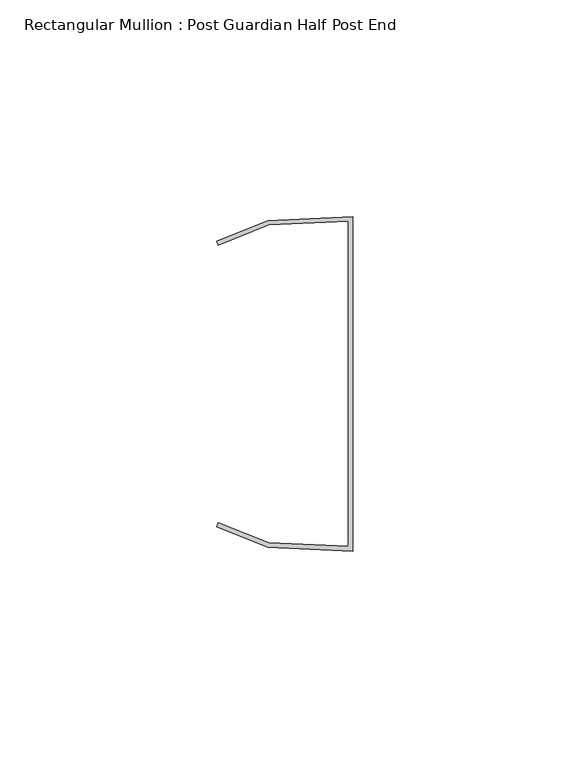
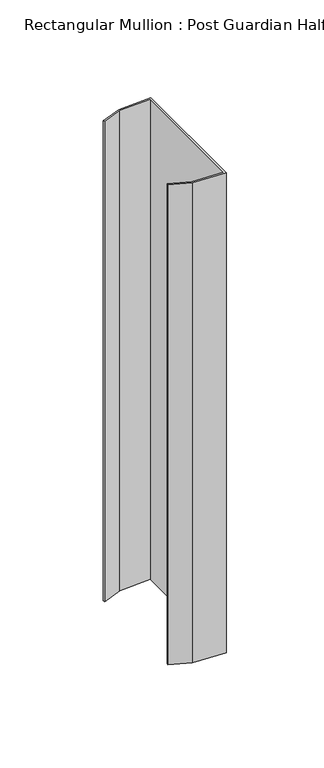
"""IFC4 building model written with IfcOpenShell, lengths in millimetres: member geometry, Rectangular Mullion : Post Guardian Half Post End."""

import ifcopenshell
import ifcopenshell.guid

model = None  # the IFC model being written
_history = None  # IfcOwnerHistory: only IFC2X3 demands one
_inside = {}  # id of a spatial element -> (the spatial element, [elements in it])
_under = {}  # id of a project, library or spatial element -> (it, [spatial elements below it])
_declared = {}  # id of a project -> (the project, [libraries it declares])
_typed = {}  # id of a type object -> (the type object, [elements of that type])
_made_of = {}  # id of a material, layer set ... -> (it, [elements and type objects made of it])


def new_model(schema):
    """Start an empty IFC model of exactly this schema.

    Asked for "IFC4X3", IfcOpenShell would pick the latest addendum, in which some entities
    have other attributes; the version numbers below select the first issue.
    IFC2X3 requires an IfcOwnerHistory on every rooted entity: one is made here for all.
    """
    global model, _history
    if schema == "IFC4X3":
        model = ifcopenshell.file(schema_version=(4, 3, 0, 0))
    else:
        model = ifcopenshell.file(schema=schema)
    _inside.clear()
    _under.clear()
    _declared.clear()
    _typed.clear()
    _made_of.clear()
    _history = None
    if model.schema == "IFC2X3":
        org = make("IfcOrganization", Name="unknown")
        user = make(
            "IfcPersonAndOrganization",
            ThePerson=make("IfcPerson", FamilyName="unknown"),
            TheOrganization=org,
        )
        app = make(
            "IfcApplication",
            ApplicationDeveloper=org,
            Version="unknown",
            ApplicationFullName="unknown",
            ApplicationIdentifier="unknown",
        )
        _history = make(
            "IfcOwnerHistory",
            OwningUser=user,
            OwningApplication=app,
            ChangeAction="ADDED",
            CreationDate=0,
        )
    return model


def make(cls, **values):
    """One entity of the class cls with the attributes given. An attribute that is None is left unset."""
    return model.create_entity(
        cls, **{name: value for name, value in values.items() if value is not None}
    )


def rooted(cls, **values):
    """An entity with a GlobalId (a new one), such as an element, a storey or a relation."""
    return make(cls, GlobalId=ifcopenshell.guid.new(), OwnerHistory=_history, **values)


def si_unit(unit_type, name, prefix=None):
    """IfcSIUnit, for example si_unit("LENGTHUNIT", "METRE", prefix="MILLI")."""
    return make("IfcSIUnit", UnitType=unit_type, Prefix=prefix, Name=name)


def assignment(units):
    """IfcUnitAssignment: the units of a project."""
    return None if units is None else make("IfcUnitAssignment", Units=units)


def point(xyz):
    """IfcCartesianPoint."""
    return None if xyz is None else make("IfcCartesianPoint", Coordinates=xyz)


def direction(xyz):
    """IfcDirection."""
    return None if xyz is None else make("IfcDirection", DirectionRatios=xyz)


def frame(location, z_axis=None, x_axis=None):
    """IfcAxis2Placement3D, a coordinate frame: its origin and axes. An axis left out is left unset."""
    return make(
        "IfcAxis2Placement3D",
        Location=point(location),
        Axis=direction(z_axis),
        RefDirection=direction(x_axis),
    )


def origin():
    """The frame at (0, 0, 0) with its axes left unset."""
    return frame((0.0, 0.0, 0.0))


def place(relative_to, where):
    """IfcLocalPlacement: puts the frame where relative to a parent placement (None: the world)."""
    return make(
        "IfcLocalPlacement", PlacementRelTo=relative_to, RelativePlacement=where
    )


def context(
    kind, dimensions, precision=None, world=None, true_north=None, identifier=None
):
    """IfcGeometricRepresentationContext, for example the 3D "Model" context."""
    return make(
        "IfcGeometricRepresentationContext",
        ContextIdentifier=identifier,
        ContextType=kind,
        CoordinateSpaceDimension=dimensions,
        Precision=precision,
        WorldCoordinateSystem=world,
        TrueNorth=true_north,
    )


def project(units=None, contexts=None):
    """IfcProject with its units and contexts."""
    return rooted(
        "IfcProject",
        Name="project",
        RepresentationContexts=contexts,
        UnitsInContext=assignment(units),
    )


def spatial(cls, under=None, at=None, **own):
    """A site, building, storey or space (cls), placed at a placement, below another one or the project."""
    s = rooted(cls, ObjectPlacement=at, **own)
    if under is not None:
        _under.setdefault(under.id(), (under, []))[1].append(s)
    return s


def polyline(points):
    """IfcPolyline through the points."""
    return make("IfcPolyline", Points=[point(p) for p in points])


def outline(outer, holes=None, kind="AREA"):
    """IfcArbitraryClosedProfileDef: a profile drawn as a closed curve; with holes, ...WithVoids."""
    if holes is None:
        return make("IfcArbitraryClosedProfileDef", ProfileType=kind, OuterCurve=outer)
    return make(
        "IfcArbitraryProfileDefWithVoids",
        ProfileType=kind,
        OuterCurve=outer,
        InnerCurves=holes,
    )


def extrude(swept, where, along, depth):
    """IfcExtrudedAreaSolid: the profile swept, set in the frame where, extruded along a direction by depth."""
    return make(
        "IfcExtrudedAreaSolid",
        SweptArea=swept,
        Position=where,
        ExtrudedDirection=direction(along),
        Depth=depth,
    )


def shape(context_of_items, identifier, shape_type, items):
    """IfcShapeRepresentation: the items that make up one representation, for example the "Body"."""
    return make(
        "IfcShapeRepresentation",
        ContextOfItems=context_of_items,
        RepresentationIdentifier=identifier,
        RepresentationType=shape_type,
        Items=items,
    )


def source(mapping_origin, context_of_items, identifier, shape_type, items):
    """IfcRepresentationMap: a shape defined once, which mapped items show again and again."""
    return make(
        "IfcRepresentationMap",
        MappingOrigin=mapping_origin,
        MappedRepresentation=shape(context_of_items, identifier, shape_type, items),
    )


def transform(
    local_origin,
    x_axis=None,
    y_axis=None,
    z_axis=None,
    scale=None,
    scale2=None,
    scale3=None,
    uniform=True,
):
    """IfcCartesianTransformationOperator3D, or its non-uniform kind. x_axis, y_axis, z_axis: its Axis1, 2, 3."""
    if uniform:
        return make(
            "IfcCartesianTransformationOperator3D",
            Axis1=direction(x_axis),
            Axis2=direction(y_axis),
            LocalOrigin=point(local_origin),
            Scale=scale,
            Axis3=direction(z_axis),
        )
    return make(
        "IfcCartesianTransformationOperator3DnonUniform",
        Axis1=direction(x_axis),
        Axis2=direction(y_axis),
        LocalOrigin=point(local_origin),
        Scale=scale,
        Axis3=direction(z_axis),
        Scale2=scale2,
        Scale3=scale3,
    )


def mapped(mapping_source, mapping_target):
    """IfcMappedItem: shows the shape of a source again, moved by a transform."""
    return make(
        "IfcMappedItem", MappingSource=mapping_source, MappingTarget=mapping_target
    )


def made_of(thing, what):
    """Note that an element or type object is made of a material, layer set ...; save() writes the relation."""
    if what is not None:
        _made_of.setdefault(what.id(), (what, []))[1].append(thing)
    return thing


def element(
    cls,
    number,
    at=None,
    inside=None,
    cuts=None,
    type_object=None,
    material=None,
    context=None,
    identifier="Body",
    shape_type=None,
    held_by="IfcProductDefinitionShape",
    body=None,
    shapes=None,
    **own,
):
    """One element of the class cls, such as IfcWall. Its Tag is "e" and its number.

    at: its placement. inside: the storey or other place that contains it. cuts: it is an
    opening in that element (IfcRelVoidsElement). A single representation is given by context,
    identifier, shape_type and body (its items); several are given by shapes. held_by: the class
    of the entity that holds the representations. save() writes the other relations.
    """
    e = rooted(cls, Tag="e%d" % number, ObjectPlacement=at, **own)
    if body is not None:
        shapes = [shape(context, identifier, shape_type, body)]
    if shapes is not None:
        e.Representation = make(held_by, Representations=shapes)
    if inside is not None:
        _inside.setdefault(inside.id(), (inside, []))[1].append(e)
    if cuts is not None:
        rooted(
            "IfcRelVoidsElement", RelatingBuildingElement=cuts, RelatedOpeningElement=e
        )
    if type_object is not None:
        _typed.setdefault(type_object.id(), (type_object, []))[1].append(e)
    return made_of(e, material)


def aggregate(whole, parts):
    """IfcRelAggregates: a whole, such as a stair, and the parts it consists of."""
    return rooted("IfcRelAggregates", RelatingObject=whole, RelatedObjects=parts)


def save(model, path):
    """Write the relations noted so far, then the file.

    IfcRelAggregates (storeys below a building ...), IfcRelContainedInSpatialStructure (elements
    in a storey), IfcRelDefinesByType, IfcRelAssociatesMaterial and IfcRelDeclares: one each for
    every whole, place, type object, material and project.
    """
    for whole, parts in _under.values():
        aggregate(whole, parts)
    for where, things in _inside.values():
        rooted(
            "IfcRelContainedInSpatialStructure",
            RelatedElements=things,
            RelatingStructure=where,
        )
    for kind, things in _typed.values():
        rooted("IfcRelDefinesByType", RelatedObjects=things, RelatingType=kind)
    for what, things in _made_of.values():
        rooted("IfcRelAssociatesMaterial", RelatedObjects=things, RelatingMaterial=what)
    for by, libraries in _declared.values():
        rooted("IfcRelDeclares", RelatingContext=by, RelatedDefinitions=libraries)
    model.write(path)


def rectangular_mullion_post_guardian_half_post_end_85c8327c(model_context):
    return source(origin(), model_context, "Body", "SweptSolid", [
        extrude(outline(polyline([(-19.3547042, 36.6491978), (-31.0, 32.007111), (-31.370288, 32.936028), (-19.5688829, 37.6403436), (0.0, 38.5474271), (0.0, -38.5474271), (-19.5688829, -37.6403436), (-31.370288, -32.936028), (-31.0, -32.007111), (-19.3547042, -36.6491978), (-1.0, -37.5), (-1.0, 37.5), (-19.3547042, 36.6491978)])), frame((0.0, 0.0, -300.0), z_axis=(0.0, 0.0, 1.0), x_axis=(1.0, 0.0, 0.0)), (0.0, 0.0, 1.0), 300.0),
    ])


if __name__ == "__main__":
    model = new_model("IFC4")
    model_context = context("Model", 3, world=origin())
    ifc_project = project(units=[si_unit("LENGTHUNIT", "METRE", prefix="MILLI")], contexts=[model_context])
    site = spatial("IfcSite", under=ifc_project)
    building = spatial("IfcBuilding", under=site)
    placement = place(None, origin())
    rectangular_mullion_post_guardian_half_post_end_shape = rectangular_mullion_post_guardian_half_post_end_85c8327c(model_context)
    element("IfcMember", 1, ObjectType="Rectangular Mullion : Post Guardian Half Post End", at=placement, inside=building, context=model_context, shape_type="MappedRepresentation", body=[
        mapped(rectangular_mullion_post_guardian_half_post_end_shape, transform((0.0, 0.0, 0.0), x_axis=(1.0, 0.0, 0.0), y_axis=(0.0, 1.0, 0.0), z_axis=(0.0, 0.0, 1.0))),
    ])
    save(model, "model.ifc")
